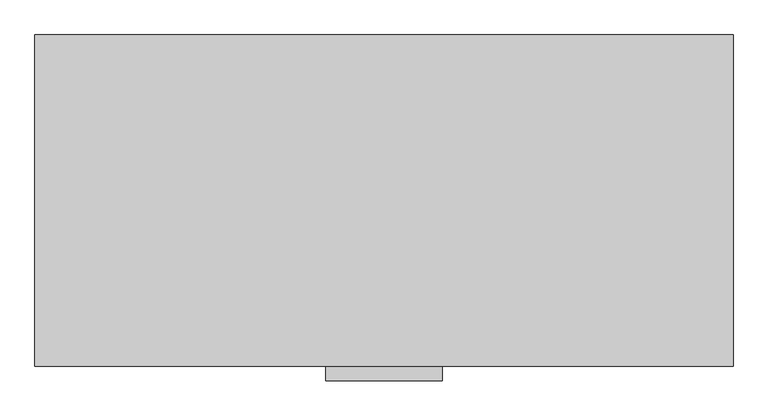
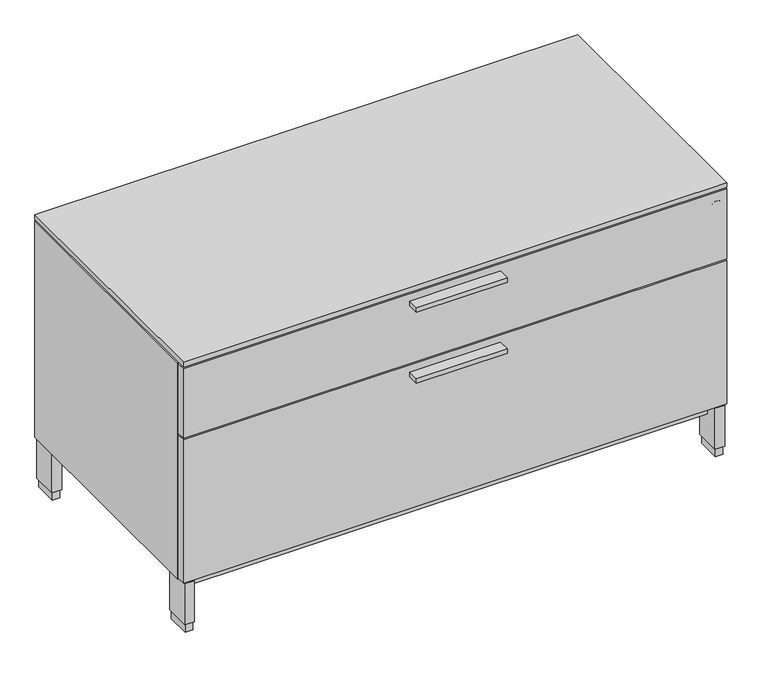
"""IFC4 building model written with IfcOpenShell, lengths in millimetres: furniture geometry."""

from ifc_helpers import new_model, si_unit, point, frame, frame_2d, origin, origin_with_axes, place, context, project, spatial, polyline, circle_curve, trimmed, segment, composite_curve, outline, extrude, faceted_brep, source, transform, mapped, element, save


def furniture_7ff88f07(model_context):
    return source(origin(), model_context, "Body", "SolidModel", [
        extrude(outline(polyline([(622.3, -528.574), (444.5, -528.574), (444.5, -506.349), (622.3, -506.349), (622.3, -528.574)])), frame((0.0, 0.0, 378.00026), z_axis=(0.0, 0.0, 1.0), x_axis=(1.0, 0.0, 0.0)), (0.0, 0.0, 1.0), 9.525),
        extrude(outline(polyline([(622.3, -528.574), (444.5, -528.574), (444.5, -506.349), (622.3, -506.349), (622.3, -528.574)])), frame((0.0, 0.0, 525.44726), z_axis=(0.0, 0.0, 1.0), x_axis=(1.0, 0.0, 0.0)), (0.0, 0.0, 1.0), 9.525),
        extrude(outline(polyline([(1065.2125, -506.349), (1.5875, -506.349), (1.5875, -487.045), (1065.2125, -487.045), (1065.2125, -506.349)])), frame((0.0, 0.0, 405.511), z_axis=(0.0, 0.0, 1.0), x_axis=(1.0, 0.0, 0.0)), (0.0, 0.0, 1.0), 144.272),
        extrude(outline(polyline([(1065.2125, -506.349), (1.5875, -506.349), (1.5875, -487.045), (1065.2125, -487.045), (1065.2125, -506.349)])), frame((0.0, 0.0, 105.283), z_axis=(0.0, 0.0, 1.0), x_axis=(1.0, 0.0, 0.0)), (0.0, 0.0, 1.0), 297.053),
        extrude(outline(composite_curve([segment(trimmed(circle_curve(frame_2d((521.24864, 1045.38526)), 11.18616), [point((521.24864, 1034.1991))], [point((521.24864, 1056.57142))], False, "CARTESIAN"), True, "CONTINUOUS"), segment(trimmed(circle_curve(frame_2d((521.24864, 1045.38526)), 11.18616), [point((521.24864, 1056.57142))], [point((521.24864, 1034.1991))], False, "CARTESIAN"), True, "CONTINUOUS")], self_intersect=False)), frame((0.0, -506.603, 0.0), z_axis=(0.0, 1.0, 0.0), x_axis=(0.0, 0.0, 1.0)), (0.0, 0.0, 1.0), 3.429),
        extrude(outline(polyline([(23.4569, -3.556), (23.4569, -54.356), (4.4069, -54.356), (4.4069, -3.556), (23.4569, -3.556)])), frame((0.0, 0.0, 17.399), z_axis=(0.0, 0.0, 1.0), x_axis=(1.0, 0.0, 0.0)), (0.0, 0.0, 1.0), 84.709),
        extrude(outline(polyline([(1062.3931, -3.556), (1062.3931, -54.356), (1043.3431, -54.356), (1043.3431, -3.556), (1062.3931, -3.556)])), frame((0.0, 0.0, 17.399), z_axis=(0.0, 0.0, 1.0), x_axis=(1.0, 0.0, 0.0)), (0.0, 0.0, 1.0), 84.709),
        extrude(outline(polyline([(1062.3931, -453.898), (1062.3931, -504.698), (1043.3431, -504.698), (1043.3431, -453.898), (1062.3931, -453.898)])), frame((0.0, 0.0, 17.399), z_axis=(0.0, 0.0, 1.0), x_axis=(1.0, 0.0, 0.0)), (0.0, 0.0, 1.0), 84.709),
        extrude(outline(polyline([(23.4569, -453.898), (23.4569, -504.698), (4.4069, -504.698), (4.4069, -453.898), (23.4569, -453.898)])), frame((0.0, 0.0, 17.399), z_axis=(0.0, 0.0, 1.0), x_axis=(1.0, 0.0, 0.0)), (0.0, 0.0, 1.0), 84.709),
        extrude(outline(polyline([(1064.514, -487.045), (3.8735, -487.045), (3.8735, -2.3114), (1064.514, -2.3114), (1064.514, -487.045)])), frame((0.0, 0.0, 549.783), z_axis=(0.0, 0.0, 1.0), x_axis=(1.0, 0.0, 0.0)), (0.0, 0.0, 1.0), 1.905),
        extrude(outline(polyline([(21.2979, -5.715), (21.2979, -52.197), (6.5659, -52.197), (6.5659, -5.715), (21.2979, -5.715)])), origin_with_axes(), (0.0, 0.0, 1.0), 17.399),
        extrude(outline(polyline([(1060.2341, -5.715), (1060.2341, -52.197), (1045.5021, -52.197), (1045.5021, -5.715), (1060.2341, -5.715)])), origin_with_axes(), (0.0, 0.0, 1.0), 17.399),
        extrude(outline(polyline([(1060.2341, -456.057), (1060.2341, -502.539), (1045.5021, -502.539), (1045.5021, -456.057), (1060.2341, -456.057)])), origin_with_axes(), (0.0, 0.0, 1.0), 17.399),
        extrude(outline(polyline([(21.2979, -456.057), (21.2979, -502.539), (6.5659, -502.539), (6.5659, -456.057), (21.2979, -456.057)])), origin_with_axes(), (0.0, 0.0, 1.0), 17.399),
        extrude(outline(polyline([(1065.2125, -506.349), (1.5875, -506.349), (1.5875, -1.524), (1065.2125, -1.524), (1065.2125, -506.349)])), frame((0.0, 0.0, 553.2882), z_axis=(0.0, 0.0, 1.0), x_axis=(1.0, 0.0, 0.0)), (0.0, 0.0, 1.0), 9.525),
        extrude(outline(polyline([(1043.3431, -480.5537946), (23.4569, -480.5537946), (23.4569, -26.9983538), (1043.3431, -26.9983538), (1043.3431, -480.5537946)])), frame((0.0, 0.0, 76.708), z_axis=(0.0, 0.0, 1.0), x_axis=(1.0, 0.0, 0.0)), (0.0, 0.0, 1.0), 25.4),
        faceted_brep([(1065.2125, -1.524, 549.783), (1065.2125, -1.524, 102.108), (1.5875, -1.524, 102.108), (1.5875, -1.524, 549.783), (1.5875, -487.045, 549.783), (1065.2125, -487.045, 549.783), (1.5875, -487.045, 102.108), (1065.2125, -487.045, 102.108), (1042.9875, -23.749, 532.3078), (23.8125, -23.749, 532.3078), (23.8125, -23.749, 122.7582), (1042.9875, -23.749, 122.7582), (1042.9875, -487.045, 532.3078), (23.8125, -487.045, 532.3078), (23.8125, -487.045, 122.7582), (1042.9875, -487.045, 122.7582)], [[[0, 1, 2, 3]], [[0, 3, 4, 5]], [[3, 2, 6, 4]], [[2, 1, 7, 6]], [[1, 0, 5, 7]], [[8, 9, 10, 11]], [[9, 8, 12, 13]], [[10, 9, 13, 14]], [[11, 10, 14, 15]], [[8, 11, 15, 12]], [[5, 4, 6, 7], [13, 12, 15, 14]]]),
    ])


if __name__ == "__main__":
    model = new_model("IFC4")
    model_context = context("Model", 3, world=origin())
    ifc_project = project(units=[si_unit("LENGTHUNIT", "METRE", prefix="MILLI")], contexts=[model_context])
    site = spatial("IfcSite", under=ifc_project)
    building = spatial("IfcBuilding", under=site)
    placement = place(None, origin())
    furniture_shape = furniture_7ff88f07(model_context)
    element("IfcFurniture", 1, at=placement, inside=building, context=model_context, shape_type="MappedRepresentation", body=[
        mapped(furniture_shape, transform((0.0, 0.0, 0.0), x_axis=(1.0, 0.0, 0.0), y_axis=(0.0, 1.0, 0.0), z_axis=(0.0, 0.0, 1.0))),
    ])
    save(model, "model.ifc")
